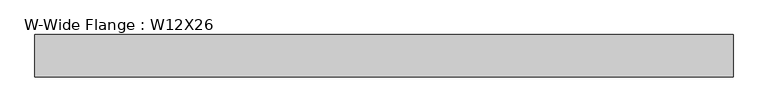
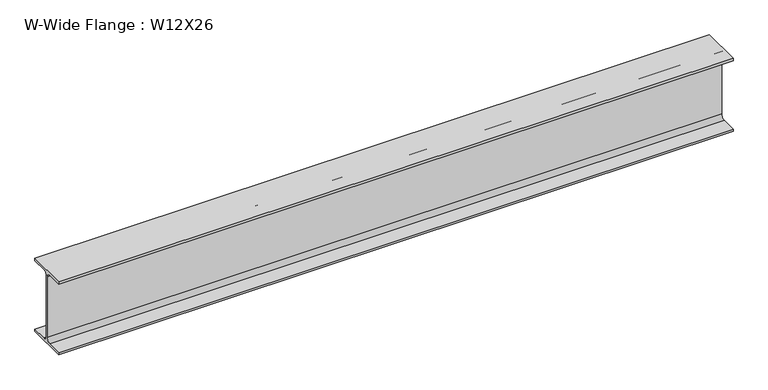
"""IFC4 building model written with IfcOpenShell, lengths in millimetres: beam geometry, W-Wide Flange : W12X26."""

from ifc_helpers import new_model, si_unit, point, frame, frame_2d, origin, place, context, project, spatial, polyline, circle_curve, trimmed, segment, composite_curve, outline, extrude, source, transform, mapped, element, save


def w_wide_flange_w12x26_866a9547(model_context):
    return source(origin(), model_context, "Body", "SweptSolid", [
        extrude(outline(composite_curve([segment(polyline([(82.4011719, -145.5539063), (82.4011719, -155.178125), (-82.4011719, -155.178125), (-82.4011719, -145.5539063), (-20.2902344, -145.5539063)]), True, "CONTINUOUS"), segment(trimmed(circle_curve(frame_2d((-20.2902344, -128.190625)), 17.3632812), [point((-20.2902344, -145.5539063))], [point((-2.9269531, -128.190625))], True, "CARTESIAN"), True, "CONTINUOUS"), segment(polyline([(-2.9269531, -128.190625), (-2.9269531, 128.190625)]), True, "CONTINUOUS"), segment(trimmed(circle_curve(frame_2d((-20.2902344, 128.190625)), 17.3632812), [point((-2.9269531, 128.190625))], [point((-20.2902344, 145.5539062))], True, "CARTESIAN"), True, "CONTINUOUS"), segment(polyline([(-20.2902344, 145.5539062), (-82.4011719, 145.5539062), (-82.4011719, 155.178125), (82.4011719, 155.178125), (82.4011719, 145.5539062), (20.2902344, 145.5539062)]), True, "CONTINUOUS"), segment(trimmed(circle_curve(frame_2d((20.2902344, 128.190625)), 17.3632812), [point((20.2902344, 145.5539062))], [point((2.9269531, 128.190625))], True, "CARTESIAN"), True, "CONTINUOUS"), segment(polyline([(2.9269531, 128.190625), (2.9269531, -128.190625)]), True, "CONTINUOUS"), segment(trimmed(circle_curve(frame_2d((20.2902344, -128.190625)), 17.3632812), [point((2.9269531, -128.190625))], [point((20.2902344, -145.5539063))], True, "CARTESIAN"), True, "CONTINUOUS"), segment(polyline([(20.2902344, -145.5539063), (82.4011719, -145.5539063)]), True, "CONTINUOUS")], self_intersect=False)), frame((-1356.121875, 0.0, 0.0), z_axis=(1.0, 0.0, 0.0), x_axis=(0.0, 1.0, 0.0)), (0.0, 0.0, 1.0), 2712.24375),
    ])


if __name__ == "__main__":
    model = new_model("IFC4")
    model_context = context("Model", 3, world=origin())
    ifc_project = project(units=[si_unit("LENGTHUNIT", "METRE", prefix="MILLI")], contexts=[model_context])
    site = spatial("IfcSite", under=ifc_project)
    building = spatial("IfcBuilding", under=site)
    placement = place(None, origin())
    w_wide_flange_w12x26_shape = w_wide_flange_w12x26_866a9547(model_context)
    element("IfcBeam", 1, ObjectType="W-Wide Flange : W12X26", at=placement, inside=building, context=model_context, shape_type="MappedRepresentation", body=[
        mapped(w_wide_flange_w12x26_shape, transform((0.0, 0.0, 0.0), x_axis=(1.0, 0.0, 0.0), y_axis=(0.0, 1.0, 0.0), z_axis=(0.0, 0.0, 1.0))),
    ])
    save(model, "model.ifc")
